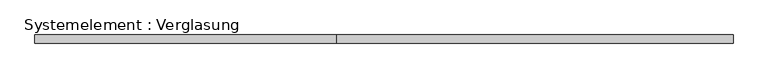
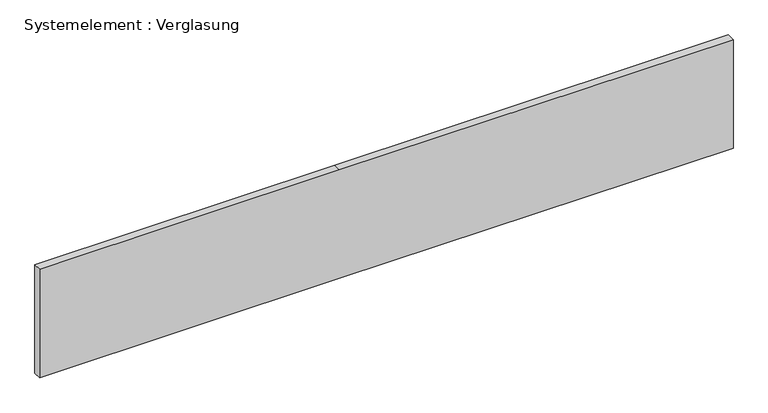
"""IFC4 building model written with IfcOpenShell, lengths in millimetres: plate geometry, Systemelement : Verglasung."""

from ifc_helpers import new_model, si_unit, frame, origin, place, context, project, spatial, polyline, outline, extrude, source, transform, mapped, element, save


def systemelement_verglasung_107a4991(model_context):
    return source(origin(), model_context, "Body", "SweptSolid", [
        extrude(outline(polyline([(0.0, -1290.0000001), (0.0, -175.0294527), (0.0, 1290.0000001), (426.6666667, 1290.0000001), (426.6666667, -175.0294527), (426.6666667, -1290.0000001), (0.0, -1290.0000001)])), frame((0.0, -15.0, 0.0), z_axis=(0.0, 1.0, 0.0), x_axis=(0.0, 0.0, 1.0)), (0.0, 0.0, 1.0), 30.0),
    ])


if __name__ == "__main__":
    model = new_model("IFC4")
    model_context = context("Model", 3, world=origin())
    ifc_project = project(units=[si_unit("LENGTHUNIT", "METRE", prefix="MILLI")], contexts=[model_context])
    site = spatial("IfcSite", under=ifc_project)
    building = spatial("IfcBuilding", under=site)
    placement = place(None, origin())
    systemelement_verglasung_shape = systemelement_verglasung_107a4991(model_context)
    element("IfcPlate", 1, ObjectType="Systemelement : Verglasung", at=placement, inside=building, context=model_context, shape_type="MappedRepresentation", body=[
        mapped(systemelement_verglasung_shape, transform((0.0, 0.0, 0.0), x_axis=(1.0, 0.0, 0.0), y_axis=(0.0, 1.0, 0.0), z_axis=(0.0, 0.0, 1.0))),
    ])
    save(model, "model.ifc")
